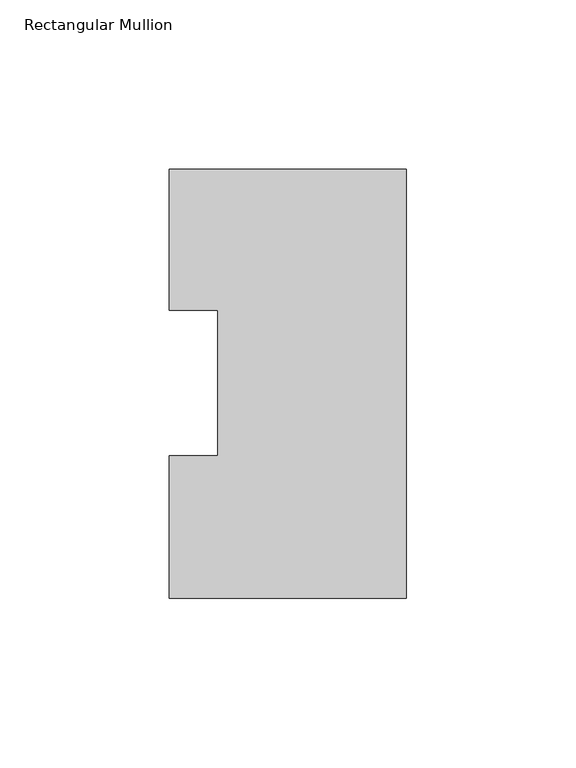
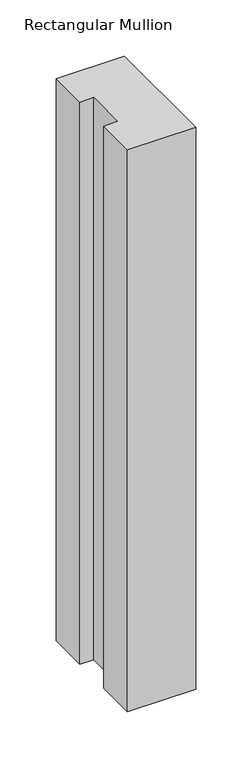
"""IFC4 building model written with IfcOpenShell, lengths in millimetres: member geometry, Rectangular Mullion."""

from ifc_helpers import new_model, si_unit, frame, origin, place, context, project, spatial, polyline, outline, extrude, source, transform, mapped, element, save


def rectangular_mullion_787933c5(model_context):
    return source(origin(), model_context, "Body", "SweptSolid", [
        extrude(outline(polyline([(-69.85, 0.04445), (-69.85, 42.08145), (-55.5625, 42.08145), (-55.5625, 84.93125), (-69.85, 84.93125), (-69.85, 126.53645), (0.0, 126.53645), (0.0, 0.04445), (-69.85, 0.04445)])), frame((0.0, 0.0, -609.56825), z_axis=(0.0, 0.0, 1.0), x_axis=(1.0, 0.0, 0.0)), (0.0, 0.0, 1.0), 609.56825),
    ])


if __name__ == "__main__":
    model = new_model("IFC4")
    model_context = context("Model", 3, world=origin())
    ifc_project = project(units=[si_unit("LENGTHUNIT", "METRE", prefix="MILLI")], contexts=[model_context])
    site = spatial("IfcSite", under=ifc_project)
    building = spatial("IfcBuilding", under=site)
    placement = place(None, origin())
    rectangular_mullion_shape = rectangular_mullion_787933c5(model_context)
    element("IfcMember", 1, ObjectType="Rectangular Mullion", at=placement, inside=building, context=model_context, shape_type="MappedRepresentation", body=[
        mapped(rectangular_mullion_shape, transform((0.0, 0.0, 0.0), x_axis=(1.0, 0.0, 0.0), y_axis=(0.0, 1.0, 0.0), z_axis=(0.0, 0.0, 1.0))),
    ])
    save(model, "model.ifc")
